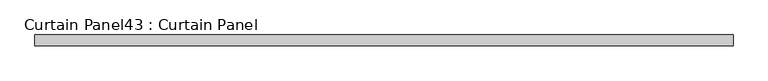
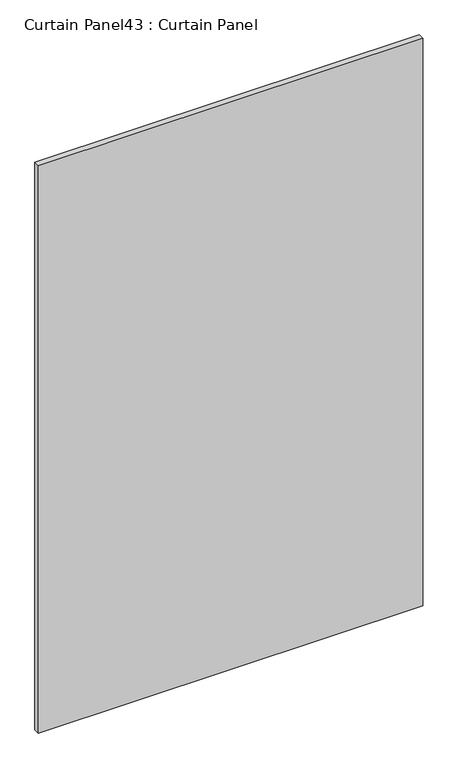
"""IFC4 building model written with IfcOpenShell, lengths in millimetres: plate geometry, Curtain Panel43 : Curtain Panel."""

from ifc_helpers import new_model, si_unit, frame, origin, place, context, project, spatial, polyline, outline, extrude, source, transform, mapped, element, save


def curtain_panel43_curtain_panel_9e357f5f(model_context):
    return source(origin(), model_context, "Body", "SweptSolid", [
        extrude(outline(polyline([(74749.3078052, 1833.992552), (73117.3503884, 1833.992552), (73117.3503884, 1859.392552), (74749.3078052, 1859.392552), (74749.3078052, 1833.992552)])), frame((0.0, 0.0, -568.0964608), z_axis=(0.0, 0.0, 1.0), x_axis=(1.0, 0.0, 0.0)), (0.0, 0.0, 1.0), 2546.3126435),
    ])


if __name__ == "__main__":
    model = new_model("IFC4")
    model_context = context("Model", 3, world=origin())
    ifc_project = project(units=[si_unit("LENGTHUNIT", "METRE", prefix="MILLI")], contexts=[model_context])
    site = spatial("IfcSite", under=ifc_project)
    building = spatial("IfcBuilding", under=site)
    placement = place(None, origin())
    curtain_panel43_curtain_panel_shape = curtain_panel43_curtain_panel_9e357f5f(model_context)
    element("IfcPlate", 1, ObjectType="Curtain Panel43 : Curtain Panel", at=placement, inside=building, context=model_context, shape_type="MappedRepresentation", body=[
        mapped(curtain_panel43_curtain_panel_shape, transform((0.0, 0.0, 0.0), x_axis=(1.0, 0.0, 0.0), y_axis=(0.0, 1.0, 0.0), z_axis=(0.0, 0.0, 1.0))),
    ])
    save(model, "model.ifc")
